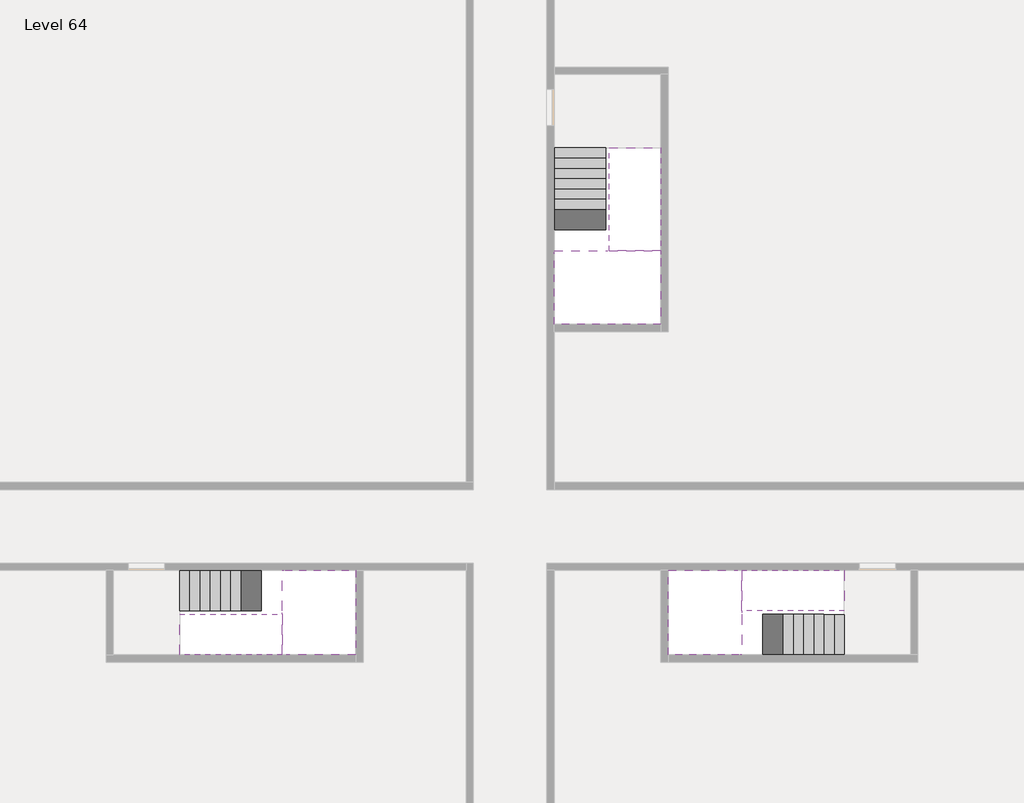
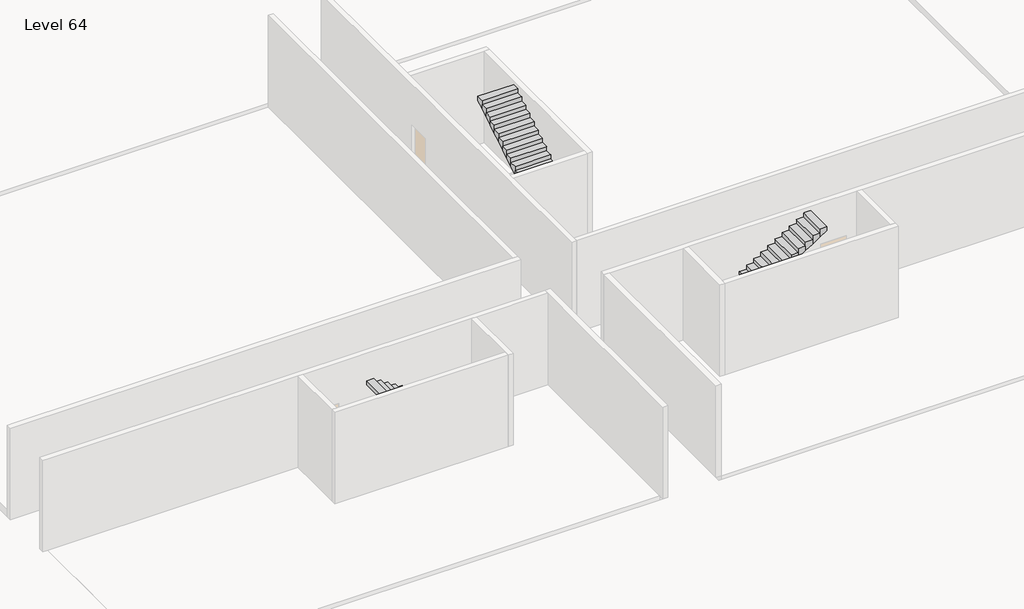
# One storey, part 2 of 2: 6 stair flights, 3 slabs.
"""IFC4 building model written with IfcOpenShell, lengths in millimetres."""

import ifcopenshell
import ifcopenshell.guid

model = None  # the IFC model being written
_history = None  # IfcOwnerHistory: only IFC2X3 demands one
_inside = {}  # id of a spatial element -> (the spatial element, [elements in it])
_under = {}  # id of a project, library or spatial element -> (it, [spatial elements below it])
_declared = {}  # id of a project -> (the project, [libraries it declares])
_typed = {}  # id of a type object -> (the type object, [elements of that type])
_made_of = {}  # id of a material, layer set ... -> (it, [elements and type objects made of it])


def new_model(schema):
    """Start an empty IFC model of exactly this schema.

    Asked for "IFC4X3", IfcOpenShell would pick the latest addendum, in which some entities
    have other attributes; the version numbers below select the first issue.
    IFC2X3 requires an IfcOwnerHistory on every rooted entity: one is made here for all.
    """
    global model, _history
    if schema == "IFC4X3":
        model = ifcopenshell.file(schema_version=(4, 3, 0, 0))
    else:
        model = ifcopenshell.file(schema=schema)
    _inside.clear()
    _under.clear()
    _declared.clear()
    _typed.clear()
    _made_of.clear()
    _history = None
    if model.schema == "IFC2X3":
        org = make("IfcOrganization", Name="unknown")
        user = make(
            "IfcPersonAndOrganization",
            ThePerson=make("IfcPerson", FamilyName="unknown"),
            TheOrganization=org,
        )
        app = make(
            "IfcApplication",
            ApplicationDeveloper=org,
            Version="unknown",
            ApplicationFullName="unknown",
            ApplicationIdentifier="unknown",
        )
        _history = make(
            "IfcOwnerHistory",
            OwningUser=user,
            OwningApplication=app,
            ChangeAction="ADDED",
            CreationDate=0,
        )
    return model


def make(cls, **values):
    """One entity of the class cls with the attributes given. An attribute that is None is left unset."""
    return model.create_entity(
        cls, **{name: value for name, value in values.items() if value is not None}
    )


def rooted(cls, **values):
    """An entity with a GlobalId (a new one), such as an element, a storey or a relation."""
    return make(cls, GlobalId=ifcopenshell.guid.new(), OwnerHistory=_history, **values)


def si_unit(unit_type, name, prefix=None):
    """IfcSIUnit, for example si_unit("LENGTHUNIT", "METRE", prefix="MILLI")."""
    return make("IfcSIUnit", UnitType=unit_type, Prefix=prefix, Name=name)


def assignment(units):
    """IfcUnitAssignment: the units of a project."""
    return None if units is None else make("IfcUnitAssignment", Units=units)


def point(xyz):
    """IfcCartesianPoint."""
    return None if xyz is None else make("IfcCartesianPoint", Coordinates=xyz)


def direction(xyz):
    """IfcDirection."""
    return None if xyz is None else make("IfcDirection", DirectionRatios=xyz)


def frame(location, z_axis=None, x_axis=None):
    """IfcAxis2Placement3D, a coordinate frame: its origin and axes. An axis left out is left unset."""
    return make(
        "IfcAxis2Placement3D",
        Location=point(location),
        Axis=direction(z_axis),
        RefDirection=direction(x_axis),
    )


def origin():
    """The frame at (0, 0, 0) with its axes left unset."""
    return frame((0.0, 0.0, 0.0))


def place(relative_to, where):
    """IfcLocalPlacement: puts the frame where relative to a parent placement (None: the world)."""
    return make(
        "IfcLocalPlacement", PlacementRelTo=relative_to, RelativePlacement=where
    )


def context(
    kind, dimensions, precision=None, world=None, true_north=None, identifier=None
):
    """IfcGeometricRepresentationContext, for example the 3D "Model" context."""
    return make(
        "IfcGeometricRepresentationContext",
        ContextIdentifier=identifier,
        ContextType=kind,
        CoordinateSpaceDimension=dimensions,
        Precision=precision,
        WorldCoordinateSystem=world,
        TrueNorth=true_north,
    )


def project(units=None, contexts=None):
    """IfcProject with its units and contexts."""
    return rooted(
        "IfcProject",
        Name="project",
        RepresentationContexts=contexts,
        UnitsInContext=assignment(units),
    )


def spatial(cls, under=None, at=None, **own):
    """A site, building, storey or space (cls), placed at a placement, below another one or the project."""
    s = rooted(cls, ObjectPlacement=at, **own)
    if under is not None:
        _under.setdefault(under.id(), (under, []))[1].append(s)
    return s


def faces_of(points, faces, orient=None, outer=None):
    """IfcFace entities. A face is a list of loops; a loop is a list of indices into points, from 0.

    orient and outer hold one flag for each loop. By default every Orientation is true, the
    first loop of a face is its IfcFaceOuterBound and the others are IfcFaceBound.
    """
    made = []
    for i, loops in enumerate(faces):
        bounds = []
        for j, loop in enumerate(loops):
            is_outer = j == 0 if outer is None else outer[i][j]
            bounds.append(
                make(
                    "IfcFaceOuterBound" if is_outer else "IfcFaceBound",
                    Bound=make("IfcPolyLoop", Polygon=[points[k] for k in loop]),
                    Orientation=True if orient is None else orient[i][j],
                )
            )
        made.append(make("IfcFace", Bounds=bounds))
    return made


def faceted_brep(points, faces, orient=None, outer=None, voids=None):
    """IfcFacetedBrep: a solid bounded by flat faces; with voids (closed shells), ...WithVoids."""
    shared = [point(p) for p in points]
    hull = make("IfcClosedShell", CfsFaces=faces_of(shared, faces, orient, outer))
    if voids is None:
        return make("IfcFacetedBrep", Outer=hull)
    return make(
        "IfcFacetedBrepWithVoids",
        Outer=hull,
        Voids=[
            make(cls, CfsFaces=faces_of(shared, fs, o, b)) for cls, fs, o, b in voids
        ],
    )


def shape(context_of_items, identifier, shape_type, items):
    """IfcShapeRepresentation: the items that make up one representation, for example the "Body"."""
    return make(
        "IfcShapeRepresentation",
        ContextOfItems=context_of_items,
        RepresentationIdentifier=identifier,
        RepresentationType=shape_type,
        Items=items,
    )


def made_of(thing, what):
    """Note that an element or type object is made of a material, layer set ...; save() writes the relation."""
    if what is not None:
        _made_of.setdefault(what.id(), (what, []))[1].append(thing)
    return thing


def element(
    cls,
    number,
    at=None,
    inside=None,
    cuts=None,
    type_object=None,
    material=None,
    context=None,
    identifier="Body",
    shape_type=None,
    held_by="IfcProductDefinitionShape",
    body=None,
    shapes=None,
    **own,
):
    """One element of the class cls, such as IfcWall. Its Tag is "e" and its number.

    at: its placement. inside: the storey or other place that contains it. cuts: it is an
    opening in that element (IfcRelVoidsElement). A single representation is given by context,
    identifier, shape_type and body (its items); several are given by shapes. held_by: the class
    of the entity that holds the representations. save() writes the other relations.
    """
    e = rooted(cls, Tag="e%d" % number, ObjectPlacement=at, **own)
    if body is not None:
        shapes = [shape(context, identifier, shape_type, body)]
    if shapes is not None:
        e.Representation = make(held_by, Representations=shapes)
    if inside is not None:
        _inside.setdefault(inside.id(), (inside, []))[1].append(e)
    if cuts is not None:
        rooted(
            "IfcRelVoidsElement", RelatingBuildingElement=cuts, RelatedOpeningElement=e
        )
    if type_object is not None:
        _typed.setdefault(type_object.id(), (type_object, []))[1].append(e)
    return made_of(e, material)


def aggregate(whole, parts):
    """IfcRelAggregates: a whole, such as a stair, and the parts it consists of."""
    return rooted("IfcRelAggregates", RelatingObject=whole, RelatedObjects=parts)


def save(model, path):
    """Write the relations noted so far, then the file.

    IfcRelAggregates (storeys below a building ...), IfcRelContainedInSpatialStructure (elements
    in a storey), IfcRelDefinesByType, IfcRelAssociatesMaterial and IfcRelDeclares: one each for
    every whole, place, type object, material and project.
    """
    for whole, parts in _under.values():
        aggregate(whole, parts)
    for where, things in _inside.values():
        rooted(
            "IfcRelContainedInSpatialStructure",
            RelatedElements=things,
            RelatingStructure=where,
        )
    for kind, things in _typed.values():
        rooted("IfcRelDefinesByType", RelatedObjects=things, RelatingType=kind)
    for what, things in _made_of.values():
        rooted("IfcRelAssociatesMaterial", RelatedObjects=things, RelatingMaterial=what)
    for by, libraries in _declared.values():
        rooted("IfcRelDeclares", RelatingContext=by, RelatedDefinitions=libraries)
    model.write(path)


model = new_model("IFC4")

# Units and contexts
model_context = context("Model", 3, world=origin())
ifc_project = project(units=[si_unit("LENGTHUNIT", "METRE", prefix="MILLI")], contexts=[model_context])

# Site, building, storey
site = spatial("IfcSite", under=ifc_project)
building = spatial("IfcBuilding", under=site)
storey = spatial("IfcBuildingStorey", under=building, Name="Level 64", Elevation=239400.0)

# Slabs
placement = place(None, origin())
element("IfcSlab", 1, at=placement, inside=storey, context=model_context, shape_type="Brep", body=[
    faceted_brep([(26790.1058784, -34218.09644, 241300.0), (25390.1058784, -34218.09644, 241300.0), (25390.1058784, -34297.4828763, 241300.0), (25390.1058784, -36218.09644, 241300.0), (28290.1058784, -36218.09644, 241300.0), (28290.1058784, -34418.7100038, 241300.0), (28290.1058784, -34218.09644, 241300.0), (26890.1058784, -34218.09644, 241300.0), (26790.1058784, -34218.09644, 241000.0), (26790.1058784, -34218.09644, 240951.0278478), (25390.1058784, -34218.09644, 240951.0278478), (25390.1058784, -34218.09644, 241127.2727273), (25390.1058784, -34297.4828763, 241000.0), (25390.1058784, -36218.09644, 241000.0), (28290.1058784, -36218.09644, 241000.0), (28290.1058784, -34418.7100038, 241000.0), (28290.1058784, -34218.09644, 241123.7551205), (26890.1058784, -34218.09644, 241123.7551205), (26890.1058784, -34218.09644, 241000.0), (26890.1058784, -34418.7100038, 241000.0), (26790.1058784, -34297.4828763, 241000.0)], [[[0, 1, 2, 3, 4, 5, 6, 7]], [[1, 0, 8, 9, 10, 11]], [[1, 11, 10, 12, 13, 3, 2]], [[4, 3, 13, 14]], [[4, 14, 15, 16, 6, 5]], [[7, 6, 16, 17]], [[0, 7, 17, 18, 8]], [[18, 19, 15, 14, 13, 12, 20, 8]], [[19, 18, 17]], [[20, 12, 10, 9]], [[8, 20, 9]], [[15, 19, 17, 16]]]),
])
element("IfcSlab", 2, at=placement, inside=storey, context=model_context, shape_type="Brep", body=[
    faceted_brep([(30490.1058784, -45218.09644, 241300.0), (30490.1058784, -44118.09644, 241300.0), (30490.1058784, -44018.09644, 241300.0), (30490.1058784, -42918.09644, 241300.0), (30289.4923146, -42918.09644, 241300.0), (28490.1058784, -42918.09644, 241300.0), (28490.1058784, -45218.09644, 241300.0), (30410.7194421, -45218.09644, 241300.0), (30490.1058784, -45218.09644, 241127.2727273), (30490.1058784, -45218.09644, 240951.0278478), (30490.1058784, -44118.09644, 240951.0278478), (30490.1058784, -44118.09644, 241000.0), (30490.1058784, -44018.09644, 241000.0), (30490.1058784, -44018.09644, 241123.7551205), (30490.1058784, -42918.09644, 241123.7551205), (30289.4923146, -42918.09644, 241000.0), (28490.1058784, -42918.09644, 241000.0), (28490.1058784, -45218.09644, 241000.0), (30410.7194421, -45218.09644, 241000.0), (30289.4923146, -44018.09644, 241000.0), (30410.7194421, -44118.09644, 241000.0)], [[[0, 1, 2, 3, 4, 5, 6, 7]], [[1, 0, 8, 9, 10, 11]], [[2, 1, 11, 12, 13]], [[3, 2, 13, 14]], [[3, 14, 15, 16, 5, 4]], [[6, 5, 16, 17]], [[9, 8, 0, 7, 6, 17, 18]], [[19, 12, 11, 20, 18, 17, 16, 15]], [[12, 19, 13]], [[18, 20, 10, 9]], [[20, 11, 10]], [[19, 15, 14, 13]]]),
])
element("IfcSlab", 3, at=placement, inside=storey, context=model_context, shape_type="Brep", body=[
    faceted_brep([(17990.1058784, -42918.09644, 241300.0), (17990.1058784, -44018.09644, 241300.0), (17990.1058784, -44118.09644, 241300.0), (17990.1058784, -45218.09644, 241300.0), (18190.7194421, -45218.09644, 241300.0), (19990.1058784, -45218.09644, 241300.0), (19990.1058784, -42918.09644, 241300.0), (18069.4923146, -42918.09644, 241300.0), (17990.1058784, -42918.09644, 241127.2727273), (17990.1058784, -42918.09644, 240951.0278478), (17990.1058784, -44018.09644, 240951.0278478), (17990.1058784, -44018.09644, 241000.0), (17990.1058784, -44118.09644, 241000.0), (17990.1058784, -44118.09644, 241123.7551205), (17990.1058784, -45218.09644, 241123.7551205), (18190.7194421, -45218.09644, 241000.0), (19990.1058784, -45218.09644, 241000.0), (19990.1058784, -42918.09644, 241000.0), (18069.4923146, -42918.09644, 241000.0), (18190.7194421, -44118.09644, 241000.0), (18069.4923146, -44018.09644, 241000.0)], [[[0, 1, 2, 3, 4, 5, 6, 7]], [[1, 0, 8, 9, 10, 11]], [[2, 1, 11, 12, 13]], [[3, 2, 13, 14]], [[3, 14, 15, 16, 5, 4]], [[6, 5, 16, 17]], [[9, 8, 0, 7, 6, 17, 18]], [[19, 12, 11, 20, 18, 17, 16, 15]], [[12, 19, 13]], [[18, 20, 10, 9]], [[20, 11, 10]], [[19, 15, 14, 13]]]),
])

# Stair flights
element("IfcStairFlight", 4, at=placement, inside=storey, context=model_context, shape_type="Brep", body=[
    faceted_brep([(26790.1058784, -31698.09644, 239572.7272727), (26790.1058784, -31418.09644, 239572.7272727), (25390.1058784, -31418.09644, 239572.7272727), (25390.1058784, -31698.09644, 239572.7272727), (26790.1058784, -31698.09644, 239400.0), (26790.1058784, -31418.09644, 239400.0), (25390.1058784, -31418.09644, 239400.0), (25390.1058784, -31698.09644, 239400.0), (26790.1058784, -31978.09644, 239745.4545455), (26790.1058784, -31698.09644, 239745.4545455), (25390.1058784, -31698.09644, 239745.4545455), (25390.1058784, -31978.09644, 239745.4545455), (26790.1058784, -31978.09644, 239569.209666), (26790.1058784, -31703.7986657, 239400.0), (25390.1058784, -31703.7986657, 239400.0), (25390.1058784, -31978.09644, 239569.209666), (26790.1058784, -32258.09644, 239918.1818182), (26790.1058784, -31978.09644, 239918.1818182), (25390.1058784, -31978.09644, 239918.1818182), (25390.1058784, -32258.09644, 239918.1818182), (26790.1058784, -32258.09644, 239741.9369387), (25390.1058784, -32258.09644, 239741.9369387), (26790.1058784, -32538.09644, 240090.9090909), (26790.1058784, -32258.09644, 240090.9090909), (25390.1058784, -32258.09644, 240090.9090909), (25390.1058784, -32538.09644, 240090.9090909), (26790.1058784, -32538.09644, 239914.6642114), (25390.1058784, -32538.09644, 239914.6642114), (26790.1058784, -32818.09644, 240263.6363636), (26790.1058784, -32538.09644, 240263.6363636), (25390.1058784, -32538.09644, 240263.6363636), (25390.1058784, -32818.09644, 240263.6363636), (26790.1058784, -32818.09644, 240087.3914841), (25390.1058784, -32818.09644, 240087.3914841), (26790.1058784, -33098.09644, 240436.3636364), (26790.1058784, -32818.09644, 240436.3636364), (25390.1058784, -32818.09644, 240436.3636364), (25390.1058784, -33098.09644, 240436.3636364), (26790.1058784, -33098.09644, 240260.1187569), (25390.1058784, -33098.09644, 240260.1187569), (26790.1058784, -33378.09644, 240609.0909091), (26790.1058784, -33098.09644, 240609.0909091), (25390.1058784, -33098.09644, 240609.0909091), (25390.1058784, -33378.09644, 240609.0909091), (26790.1058784, -33378.09644, 240432.8460296), (25390.1058784, -33378.09644, 240432.8460296), (26790.1058784, -33658.09644, 240781.8181818), (26790.1058784, -33378.09644, 240781.8181818), (25390.1058784, -33378.09644, 240781.8181818), (25390.1058784, -33658.09644, 240781.8181818), (26790.1058784, -33658.09644, 240605.5733023), (25390.1058784, -33658.09644, 240605.5733023), (26790.1058784, -33938.09644, 240954.5454545), (26790.1058784, -33658.09644, 240954.5454545), (25390.1058784, -33658.09644, 240954.5454545), (25390.1058784, -33938.09644, 240954.5454545), (26790.1058784, -33938.09644, 240778.3005751), (25390.1058784, -33938.09644, 240778.3005751), (26790.1058784, -34218.09644, 241127.2727273), (26790.1058784, -33938.09644, 241127.2727273), (25390.1058784, -33938.09644, 241127.2727273), (25390.1058784, -34218.09644, 241127.2727273), (26790.1058784, -34218.09644, 241000.0), (26790.1058784, -34218.09644, 240951.0278478), (25390.1058784, -34218.09644, 240951.0278478)], [[[0, 1, 2, 3]], [[1, 0, 4, 5]], [[2, 1, 5, 6]], [[3, 2, 6, 7]], [[8, 9, 10, 11]], [[4, 0, 9, 8, 12, 13]], [[0, 3, 10, 9]], [[3, 7, 14, 15, 11, 10]], [[16, 17, 18, 19]], [[17, 16, 20, 12, 8]], [[8, 11, 18, 17]], [[19, 18, 11, 15, 21]], [[22, 23, 24, 25]], [[23, 22, 26, 20, 16]], [[16, 19, 24, 23]], [[25, 24, 19, 21, 27]], [[28, 29, 30, 31]], [[29, 28, 32, 26, 22]], [[22, 25, 30, 29]], [[31, 30, 25, 27, 33]], [[34, 35, 36, 37]], [[35, 34, 38, 32, 28]], [[28, 31, 36, 35]], [[37, 36, 31, 33, 39]], [[40, 41, 42, 43]], [[41, 40, 44, 38, 34]], [[34, 37, 42, 41]], [[43, 42, 37, 39, 45]], [[46, 47, 48, 49]], [[47, 46, 50, 44, 40]], [[40, 43, 48, 47]], [[49, 48, 43, 45, 51]], [[52, 53, 54, 55]], [[53, 52, 56, 50, 46]], [[46, 49, 54, 53]], [[55, 54, 49, 51, 57]], [[58, 59, 60, 61]], [[59, 58, 62, 63, 56, 52]], [[52, 55, 60, 59]], [[61, 60, 55, 57, 64]], [[58, 61, 64, 63, 62]], [[5, 4, 13, 14, 7, 6]], [[14, 13, 12, 20, 26, 32, 38, 44, 50, 56, 63, 64, 57, 51, 45, 39, 33, 27, 21, 15]]]),
])
element("IfcStairFlight", 5, at=placement, inside=storey, context=model_context, shape_type="Brep", body=[
    faceted_brep([(26890.1058784, -33938.09644, 241472.7272727), (26890.1058784, -34218.09644, 241472.7272727), (28290.1058784, -34218.09644, 241472.7272727), (28290.1058784, -33938.09644, 241472.7272727), (26890.1058784, -33938.09644, 241296.4823932), (26890.1058784, -34218.09644, 241123.7551205), (28290.1058784, -34218.09644, 241123.7551205), (28290.1058784, -34218.09644, 241300.0), (28290.1058784, -33938.09644, 241296.4823932), (26890.1058784, -33658.09644, 241645.4545455), (26890.1058784, -33938.09644, 241645.4545455), (28290.1058784, -33938.09644, 241645.4545455), (28290.1058784, -33658.09644, 241645.4545455), (26890.1058784, -33658.09644, 241469.209666), (28290.1058784, -33658.09644, 241469.209666), (26890.1058784, -33378.09644, 241818.1818182), (26890.1058784, -33658.09644, 241818.1818182), (28290.1058784, -33658.09644, 241818.1818182), (28290.1058784, -33378.09644, 241818.1818182), (26890.1058784, -33378.09644, 241641.9369387), (28290.1058784, -33378.09644, 241641.9369387), (26890.1058784, -33098.09644, 241990.9090909), (26890.1058784, -33378.09644, 241990.9090909), (28290.1058784, -33378.09644, 241990.9090909), (28290.1058784, -33098.09644, 241990.9090909), (26890.1058784, -33098.09644, 241814.6642114), (28290.1058784, -33098.09644, 241814.6642114), (26890.1058784, -32818.09644, 242163.6363636), (26890.1058784, -33098.09644, 242163.6363636), (28290.1058784, -33098.09644, 242163.6363636), (28290.1058784, -32818.09644, 242163.6363636), (26890.1058784, -32818.09644, 241987.3914841), (28290.1058784, -32818.09644, 241987.3914841), (26890.1058784, -32538.09644, 242336.3636364), (26890.1058784, -32818.09644, 242336.3636364), (28290.1058784, -32818.09644, 242336.3636364), (28290.1058784, -32538.09644, 242336.3636364), (26890.1058784, -32538.09644, 242160.1187569), (28290.1058784, -32538.09644, 242160.1187569), (26890.1058784, -32258.09644, 242509.0909091), (26890.1058784, -32538.09644, 242509.0909091), (28290.1058784, -32538.09644, 242509.0909091), (28290.1058784, -32258.09644, 242509.0909091), (26890.1058784, -32258.09644, 242332.8460296), (28290.1058784, -32258.09644, 242332.8460296), (26890.1058784, -31978.09644, 242681.8181818), (26890.1058784, -32258.09644, 242681.8181818), (28290.1058784, -32258.09644, 242681.8181818), (28290.1058784, -31978.09644, 242681.8181818), (26890.1058784, -31978.09644, 242505.5733023), (28290.1058784, -31978.09644, 242505.5733023), (26890.1058784, -31698.09644, 242854.5454545), (26890.1058784, -31978.09644, 242854.5454545), (28290.1058784, -31978.09644, 242854.5454545), (28290.1058784, -31698.09644, 242854.5454545), (26890.1058784, -31698.09644, 242678.3005751), (28290.1058784, -31698.09644, 242678.3005751), (26890.1058784, -31418.09644, 243027.2727273), (26890.1058784, -31698.09644, 243027.2727273), (28290.1058784, -31698.09644, 243027.2727273), (28290.1058784, -31418.09644, 243027.2727273), (26890.1058784, -31418.09644, 242851.0278478), (28290.1058784, -31418.09644, 242851.0278478)], [[[0, 1, 2, 3]], [[1, 0, 4, 5]], [[2, 1, 5, 6, 7]], [[3, 2, 7, 6, 8]], [[9, 10, 11, 12]], [[10, 9, 13, 4, 0]], [[11, 10, 0, 3]], [[12, 11, 3, 8, 14]], [[15, 16, 17, 18]], [[16, 15, 19, 13, 9]], [[17, 16, 9, 12]], [[18, 17, 12, 14, 20]], [[21, 22, 23, 24]], [[22, 21, 25, 19, 15]], [[23, 22, 15, 18]], [[24, 23, 18, 20, 26]], [[27, 28, 29, 30]], [[28, 27, 31, 25, 21]], [[29, 28, 21, 24]], [[30, 29, 24, 26, 32]], [[33, 34, 35, 36]], [[34, 33, 37, 31, 27]], [[35, 34, 27, 30]], [[36, 35, 30, 32, 38]], [[39, 40, 41, 42]], [[40, 39, 43, 37, 33]], [[41, 40, 33, 36]], [[42, 41, 36, 38, 44]], [[45, 46, 47, 48]], [[46, 45, 49, 43, 39]], [[47, 46, 39, 42]], [[48, 47, 42, 44, 50]], [[51, 52, 53, 54]], [[52, 51, 55, 49, 45]], [[53, 52, 45, 48]], [[54, 53, 48, 50, 56]], [[57, 58, 59, 60]], [[58, 57, 61, 55, 51]], [[59, 58, 51, 54]], [[60, 59, 54, 56, 62]], [[57, 60, 62, 61]], [[5, 4, 13, 19, 25, 31, 37, 43, 49, 55, 61, 62, 56, 50, 44, 38, 32, 26, 20, 14, 8, 6]]]),
])
element("IfcStairFlight", 6, at=placement, inside=storey, context=model_context, shape_type="Brep", body=[
    faceted_brep([(33010.1058784, -45218.09644, 239572.7272727), (33290.1058784, -45218.09644, 239572.7272727), (33290.1058784, -44118.09644, 239572.7272727), (33010.1058784, -44118.09644, 239572.7272727), (33010.1058784, -45218.09644, 239400.0), (33290.1058784, -45218.09644, 239400.0), (33290.1058784, -44118.09644, 239400.0), (33010.1058784, -44118.09644, 239400.0), (32730.1058784, -45218.09644, 239745.4545455), (33010.1058784, -45218.09644, 239745.4545455), (33010.1058784, -44118.09644, 239745.4545455), (32730.1058784, -44118.09644, 239745.4545455), (32730.1058784, -45218.09644, 239569.209666), (33004.4036527, -45218.09644, 239400.0), (33004.4036527, -44118.09644, 239400.0), (32730.1058784, -44118.09644, 239569.209666), (32450.1058784, -45218.09644, 239918.1818182), (32730.1058784, -45218.09644, 239918.1818182), (32730.1058784, -44118.09644, 239918.1818182), (32450.1058784, -44118.09644, 239918.1818182), (32450.1058784, -45218.09644, 239741.9369387), (32450.1058784, -44118.09644, 239741.9369387), (32170.1058784, -45218.09644, 240090.9090909), (32450.1058784, -45218.09644, 240090.9090909), (32450.1058784, -44118.09644, 240090.9090909), (32170.1058784, -44118.09644, 240090.9090909), (32170.1058784, -45218.09644, 239914.6642114), (32170.1058784, -44118.09644, 239914.6642114), (31890.1058784, -45218.09644, 240263.6363636), (32170.1058784, -45218.09644, 240263.6363636), (32170.1058784, -44118.09644, 240263.6363636), (31890.1058784, -44118.09644, 240263.6363636), (31890.1058784, -45218.09644, 240087.3914841), (31890.1058784, -44118.09644, 240087.3914841), (31610.1058784, -45218.09644, 240436.3636364), (31890.1058784, -45218.09644, 240436.3636364), (31890.1058784, -44118.09644, 240436.3636364), (31610.1058784, -44118.09644, 240436.3636364), (31610.1058784, -45218.09644, 240260.1187569), (31610.1058784, -44118.09644, 240260.1187569), (31330.1058784, -45218.09644, 240609.0909091), (31610.1058784, -45218.09644, 240609.0909091), (31610.1058784, -44118.09644, 240609.0909091), (31330.1058784, -44118.09644, 240609.0909091), (31330.1058784, -45218.09644, 240432.8460296), (31330.1058784, -44118.09644, 240432.8460296), (31050.1058784, -45218.09644, 240781.8181818), (31330.1058784, -45218.09644, 240781.8181818), (31330.1058784, -44118.09644, 240781.8181818), (31050.1058784, -44118.09644, 240781.8181818), (31050.1058784, -45218.09644, 240605.5733023), (31050.1058784, -44118.09644, 240605.5733023), (30770.1058784, -45218.09644, 240954.5454545), (31050.1058784, -45218.09644, 240954.5454545), (31050.1058784, -44118.09644, 240954.5454545), (30770.1058784, -44118.09644, 240954.5454545), (30770.1058784, -45218.09644, 240778.3005751), (30770.1058784, -44118.09644, 240778.3005751), (30490.1058784, -45218.09644, 241127.2727273), (30770.1058784, -45218.09644, 241127.2727273), (30770.1058784, -44118.09644, 241127.2727273), (30490.1058784, -44118.09644, 241127.2727273), (30490.1058784, -45218.09644, 240951.0278478), (30490.1058784, -44118.09644, 240951.0278478), (30490.1058784, -44118.09644, 241000.0)], [[[0, 1, 2, 3]], [[1, 0, 4, 5]], [[2, 1, 5, 6]], [[3, 2, 6, 7]], [[8, 9, 10, 11]], [[4, 0, 9, 8, 12, 13]], [[0, 3, 10, 9]], [[3, 7, 14, 15, 11, 10]], [[16, 17, 18, 19]], [[17, 16, 20, 12, 8]], [[8, 11, 18, 17]], [[19, 18, 11, 15, 21]], [[22, 23, 24, 25]], [[23, 22, 26, 20, 16]], [[16, 19, 24, 23]], [[25, 24, 19, 21, 27]], [[28, 29, 30, 31]], [[29, 28, 32, 26, 22]], [[22, 25, 30, 29]], [[31, 30, 25, 27, 33]], [[34, 35, 36, 37]], [[35, 34, 38, 32, 28]], [[28, 31, 36, 35]], [[37, 36, 31, 33, 39]], [[40, 41, 42, 43]], [[41, 40, 44, 38, 34]], [[34, 37, 42, 41]], [[43, 42, 37, 39, 45]], [[46, 47, 48, 49]], [[47, 46, 50, 44, 40]], [[40, 43, 48, 47]], [[49, 48, 43, 45, 51]], [[52, 53, 54, 55]], [[53, 52, 56, 50, 46]], [[46, 49, 54, 53]], [[55, 54, 49, 51, 57]], [[58, 59, 60, 61]], [[59, 58, 62, 56, 52]], [[52, 55, 60, 59]], [[61, 60, 55, 57, 63, 64]], [[58, 61, 64, 63, 62]], [[5, 4, 13, 14, 7, 6]], [[14, 13, 12, 20, 26, 32, 38, 44, 50, 56, 62, 63, 57, 51, 45, 39, 33, 27, 21, 15]]]),
])
element("IfcStairFlight", 7, at=placement, inside=storey, context=model_context, shape_type="Brep", body=[
    faceted_brep([(30770.1058784, -42918.09644, 241472.7272727), (30490.1058784, -42918.09644, 241472.7272727), (30490.1058784, -44018.09644, 241472.7272727), (30770.1058784, -44018.09644, 241472.7272727), (30770.1058784, -42918.09644, 241296.4823932), (30490.1058784, -42918.09644, 241123.7551205), (30490.1058784, -42918.09644, 241300.0), (30490.1058784, -44018.09644, 241123.7551205), (30770.1058784, -44018.09644, 241296.4823932), (31050.1058784, -42918.09644, 241645.4545455), (30770.1058784, -42918.09644, 241645.4545455), (30770.1058784, -44018.09644, 241645.4545455), (31050.1058784, -44018.09644, 241645.4545455), (31050.1058784, -42918.09644, 241469.209666), (31050.1058784, -44018.09644, 241469.209666), (31330.1058784, -42918.09644, 241818.1818182), (31050.1058784, -42918.09644, 241818.1818182), (31050.1058784, -44018.09644, 241818.1818182), (31330.1058784, -44018.09644, 241818.1818182), (31330.1058784, -42918.09644, 241641.9369387), (31330.1058784, -44018.09644, 241641.9369387), (31610.1058784, -42918.09644, 241990.9090909), (31330.1058784, -42918.09644, 241990.9090909), (31330.1058784, -44018.09644, 241990.9090909), (31610.1058784, -44018.09644, 241990.9090909), (31610.1058784, -42918.09644, 241814.6642114), (31610.1058784, -44018.09644, 241814.6642114), (31890.1058784, -42918.09644, 242163.6363636), (31610.1058784, -42918.09644, 242163.6363636), (31610.1058784, -44018.09644, 242163.6363636), (31890.1058784, -44018.09644, 242163.6363636), (31890.1058784, -42918.09644, 241987.3914841), (31890.1058784, -44018.09644, 241987.3914841), (32170.1058784, -42918.09644, 242336.3636364), (31890.1058784, -42918.09644, 242336.3636364), (31890.1058784, -44018.09644, 242336.3636364), (32170.1058784, -44018.09644, 242336.3636364), (32170.1058784, -42918.09644, 242160.1187569), (32170.1058784, -44018.09644, 242160.1187569), (32450.1058784, -42918.09644, 242509.0909091), (32170.1058784, -42918.09644, 242509.0909091), (32170.1058784, -44018.09644, 242509.0909091), (32450.1058784, -44018.09644, 242509.0909091), (32450.1058784, -42918.09644, 242332.8460296), (32450.1058784, -44018.09644, 242332.8460296), (32730.1058784, -42918.09644, 242681.8181818), (32450.1058784, -42918.09644, 242681.8181818), (32450.1058784, -44018.09644, 242681.8181818), (32730.1058784, -44018.09644, 242681.8181818), (32730.1058784, -42918.09644, 242505.5733023), (32730.1058784, -44018.09644, 242505.5733023), (33010.1058784, -42918.09644, 242854.5454545), (32730.1058784, -42918.09644, 242854.5454545), (32730.1058784, -44018.09644, 242854.5454545), (33010.1058784, -44018.09644, 242854.5454545), (33010.1058784, -42918.09644, 242678.3005751), (33010.1058784, -44018.09644, 242678.3005751), (33290.1058784, -42918.09644, 243027.2727273), (33010.1058784, -42918.09644, 243027.2727273), (33010.1058784, -44018.09644, 243027.2727273), (33290.1058784, -44018.09644, 243027.2727273), (33290.1058784, -42918.09644, 242851.0278478), (33290.1058784, -44018.09644, 242851.0278478)], [[[0, 1, 2, 3]], [[1, 0, 4, 5, 6]], [[2, 1, 6, 5, 7]], [[3, 2, 7, 8]], [[9, 10, 11, 12]], [[10, 9, 13, 4, 0]], [[11, 10, 0, 3]], [[12, 11, 3, 8, 14]], [[15, 16, 17, 18]], [[16, 15, 19, 13, 9]], [[17, 16, 9, 12]], [[18, 17, 12, 14, 20]], [[21, 22, 23, 24]], [[22, 21, 25, 19, 15]], [[23, 22, 15, 18]], [[24, 23, 18, 20, 26]], [[27, 28, 29, 30]], [[28, 27, 31, 25, 21]], [[29, 28, 21, 24]], [[30, 29, 24, 26, 32]], [[33, 34, 35, 36]], [[34, 33, 37, 31, 27]], [[35, 34, 27, 30]], [[36, 35, 30, 32, 38]], [[39, 40, 41, 42]], [[40, 39, 43, 37, 33]], [[41, 40, 33, 36]], [[42, 41, 36, 38, 44]], [[45, 46, 47, 48]], [[46, 45, 49, 43, 39]], [[47, 46, 39, 42]], [[48, 47, 42, 44, 50]], [[51, 52, 53, 54]], [[52, 51, 55, 49, 45]], [[53, 52, 45, 48]], [[54, 53, 48, 50, 56]], [[57, 58, 59, 60]], [[58, 57, 61, 55, 51]], [[59, 58, 51, 54]], [[60, 59, 54, 56, 62]], [[57, 60, 62, 61]], [[5, 4, 13, 19, 25, 31, 37, 43, 49, 55, 61, 62, 56, 50, 44, 38, 32, 26, 20, 14, 8, 7]]]),
])
element("IfcStairFlight", 8, at=placement, inside=storey, context=model_context, shape_type="Brep", body=[
    faceted_brep([(15470.1058784, -42918.09644, 239572.7272727), (15190.1058784, -42918.09644, 239572.7272727), (15190.1058784, -44018.09644, 239572.7272727), (15470.1058784, -44018.09644, 239572.7272727), (15470.1058784, -42918.09644, 239400.0), (15190.1058784, -42918.09644, 239400.0), (15190.1058784, -44018.09644, 239400.0), (15470.1058784, -44018.09644, 239400.0), (15750.1058784, -42918.09644, 239745.4545455), (15470.1058784, -42918.09644, 239745.4545455), (15470.1058784, -44018.09644, 239745.4545455), (15750.1058784, -44018.09644, 239745.4545455), (15750.1058784, -42918.09644, 239569.209666), (15475.8081041, -42918.09644, 239400.0), (15475.8081041, -44018.09644, 239400.0), (15750.1058784, -44018.09644, 239569.209666), (16030.1058784, -42918.09644, 239918.1818182), (15750.1058784, -42918.09644, 239918.1818182), (15750.1058784, -44018.09644, 239918.1818182), (16030.1058784, -44018.09644, 239918.1818182), (16030.1058784, -42918.09644, 239741.9369387), (16030.1058784, -44018.09644, 239741.9369387), (16310.1058784, -42918.09644, 240090.9090909), (16030.1058784, -42918.09644, 240090.9090909), (16030.1058784, -44018.09644, 240090.9090909), (16310.1058784, -44018.09644, 240090.9090909), (16310.1058784, -42918.09644, 239914.6642114), (16310.1058784, -44018.09644, 239914.6642114), (16590.1058784, -42918.09644, 240263.6363636), (16310.1058784, -42918.09644, 240263.6363636), (16310.1058784, -44018.09644, 240263.6363636), (16590.1058784, -44018.09644, 240263.6363636), (16590.1058784, -42918.09644, 240087.3914841), (16590.1058784, -44018.09644, 240087.3914841), (16870.1058784, -42918.09644, 240436.3636364), (16590.1058784, -42918.09644, 240436.3636364), (16590.1058784, -44018.09644, 240436.3636364), (16870.1058784, -44018.09644, 240436.3636364), (16870.1058784, -42918.09644, 240260.1187569), (16870.1058784, -44018.09644, 240260.1187569), (17150.1058784, -42918.09644, 240609.0909091), (16870.1058784, -42918.09644, 240609.0909091), (16870.1058784, -44018.09644, 240609.0909091), (17150.1058784, -44018.09644, 240609.0909091), (17150.1058784, -42918.09644, 240432.8460296), (17150.1058784, -44018.09644, 240432.8460296), (17430.1058784, -42918.09644, 240781.8181818), (17150.1058784, -42918.09644, 240781.8181818), (17150.1058784, -44018.09644, 240781.8181818), (17430.1058784, -44018.09644, 240781.8181818), (17430.1058784, -42918.09644, 240605.5733023), (17430.1058784, -44018.09644, 240605.5733023), (17710.1058784, -42918.09644, 240954.5454545), (17430.1058784, -42918.09644, 240954.5454545), (17430.1058784, -44018.09644, 240954.5454545), (17710.1058784, -44018.09644, 240954.5454545), (17710.1058784, -42918.09644, 240778.3005751), (17710.1058784, -44018.09644, 240778.3005751), (17990.1058784, -42918.09644, 241127.2727273), (17710.1058784, -42918.09644, 241127.2727273), (17710.1058784, -44018.09644, 241127.2727273), (17990.1058784, -44018.09644, 241127.2727273), (17990.1058784, -42918.09644, 240951.0278478), (17990.1058784, -44018.09644, 240951.0278478), (17990.1058784, -44018.09644, 241000.0)], [[[0, 1, 2, 3]], [[1, 0, 4, 5]], [[2, 1, 5, 6]], [[3, 2, 6, 7]], [[8, 9, 10, 11]], [[4, 0, 9, 8, 12, 13]], [[0, 3, 10, 9]], [[3, 7, 14, 15, 11, 10]], [[16, 17, 18, 19]], [[17, 16, 20, 12, 8]], [[8, 11, 18, 17]], [[19, 18, 11, 15, 21]], [[22, 23, 24, 25]], [[23, 22, 26, 20, 16]], [[16, 19, 24, 23]], [[25, 24, 19, 21, 27]], [[28, 29, 30, 31]], [[29, 28, 32, 26, 22]], [[22, 25, 30, 29]], [[31, 30, 25, 27, 33]], [[34, 35, 36, 37]], [[35, 34, 38, 32, 28]], [[28, 31, 36, 35]], [[37, 36, 31, 33, 39]], [[40, 41, 42, 43]], [[41, 40, 44, 38, 34]], [[34, 37, 42, 41]], [[43, 42, 37, 39, 45]], [[46, 47, 48, 49]], [[47, 46, 50, 44, 40]], [[40, 43, 48, 47]], [[49, 48, 43, 45, 51]], [[52, 53, 54, 55]], [[53, 52, 56, 50, 46]], [[46, 49, 54, 53]], [[55, 54, 49, 51, 57]], [[58, 59, 60, 61]], [[59, 58, 62, 56, 52]], [[52, 55, 60, 59]], [[61, 60, 55, 57, 63, 64]], [[58, 61, 64, 63, 62]], [[5, 4, 13, 14, 7, 6]], [[14, 13, 12, 20, 26, 32, 38, 44, 50, 56, 62, 63, 57, 51, 45, 39, 33, 27, 21, 15]]]),
])
element("IfcStairFlight", 9, at=placement, inside=storey, context=model_context, shape_type="Brep", body=[
    faceted_brep([(17710.1058784, -45218.09644, 241472.7272727), (17990.1058784, -45218.09644, 241472.7272727), (17990.1058784, -44118.09644, 241472.7272727), (17710.1058784, -44118.09644, 241472.7272727), (17710.1058784, -45218.09644, 241296.4823932), (17990.1058784, -45218.09644, 241123.7551205), (17990.1058784, -45218.09644, 241300.0), (17990.1058784, -44118.09644, 241123.7551205), (17710.1058784, -44118.09644, 241296.4823932), (17430.1058784, -45218.09644, 241645.4545455), (17710.1058784, -45218.09644, 241645.4545455), (17710.1058784, -44118.09644, 241645.4545455), (17430.1058784, -44118.09644, 241645.4545455), (17430.1058784, -45218.09644, 241469.209666), (17430.1058784, -44118.09644, 241469.209666), (17150.1058784, -45218.09644, 241818.1818182), (17430.1058784, -45218.09644, 241818.1818182), (17430.1058784, -44118.09644, 241818.1818182), (17150.1058784, -44118.09644, 241818.1818182), (17150.1058784, -45218.09644, 241641.9369387), (17150.1058784, -44118.09644, 241641.9369387), (16870.1058784, -45218.09644, 241990.9090909), (17150.1058784, -45218.09644, 241990.9090909), (17150.1058784, -44118.09644, 241990.9090909), (16870.1058784, -44118.09644, 241990.9090909), (16870.1058784, -45218.09644, 241814.6642114), (16870.1058784, -44118.09644, 241814.6642114), (16590.1058784, -45218.09644, 242163.6363636), (16870.1058784, -45218.09644, 242163.6363636), (16870.1058784, -44118.09644, 242163.6363636), (16590.1058784, -44118.09644, 242163.6363636), (16590.1058784, -45218.09644, 241987.3914841), (16590.1058784, -44118.09644, 241987.3914841), (16310.1058784, -45218.09644, 242336.3636364), (16590.1058784, -45218.09644, 242336.3636364), (16590.1058784, -44118.09644, 242336.3636364), (16310.1058784, -44118.09644, 242336.3636364), (16310.1058784, -45218.09644, 242160.1187569), (16310.1058784, -44118.09644, 242160.1187569), (16030.1058784, -45218.09644, 242509.0909091), (16310.1058784, -45218.09644, 242509.0909091), (16310.1058784, -44118.09644, 242509.0909091), (16030.1058784, -44118.09644, 242509.0909091), (16030.1058784, -45218.09644, 242332.8460296), (16030.1058784, -44118.09644, 242332.8460296), (15750.1058784, -45218.09644, 242681.8181818), (16030.1058784, -45218.09644, 242681.8181818), (16030.1058784, -44118.09644, 242681.8181818), (15750.1058784, -44118.09644, 242681.8181818), (15750.1058784, -45218.09644, 242505.5733023), (15750.1058784, -44118.09644, 242505.5733023), (15470.1058784, -45218.09644, 242854.5454545), (15750.1058784, -45218.09644, 242854.5454545), (15750.1058784, -44118.09644, 242854.5454545), (15470.1058784, -44118.09644, 242854.5454545), (15470.1058784, -45218.09644, 242678.3005751), (15470.1058784, -44118.09644, 242678.3005751), (15190.1058784, -45218.09644, 243027.2727273), (15470.1058784, -45218.09644, 243027.2727273), (15470.1058784, -44118.09644, 243027.2727273), (15190.1058784, -44118.09644, 243027.2727273), (15190.1058784, -45218.09644, 242851.0278478), (15190.1058784, -44118.09644, 242851.0278478)], [[[0, 1, 2, 3]], [[1, 0, 4, 5, 6]], [[2, 1, 6, 5, 7]], [[3, 2, 7, 8]], [[9, 10, 11, 12]], [[10, 9, 13, 4, 0]], [[11, 10, 0, 3]], [[12, 11, 3, 8, 14]], [[15, 16, 17, 18]], [[16, 15, 19, 13, 9]], [[17, 16, 9, 12]], [[18, 17, 12, 14, 20]], [[21, 22, 23, 24]], [[22, 21, 25, 19, 15]], [[23, 22, 15, 18]], [[24, 23, 18, 20, 26]], [[27, 28, 29, 30]], [[28, 27, 31, 25, 21]], [[29, 28, 21, 24]], [[30, 29, 24, 26, 32]], [[33, 34, 35, 36]], [[34, 33, 37, 31, 27]], [[35, 34, 27, 30]], [[36, 35, 30, 32, 38]], [[39, 40, 41, 42]], [[40, 39, 43, 37, 33]], [[41, 40, 33, 36]], [[42, 41, 36, 38, 44]], [[45, 46, 47, 48]], [[46, 45, 49, 43, 39]], [[47, 46, 39, 42]], [[48, 47, 42, 44, 50]], [[51, 52, 53, 54]], [[52, 51, 55, 49, 45]], [[53, 52, 45, 48]], [[54, 53, 48, 50, 56]], [[57, 58, 59, 60]], [[58, 57, 61, 55, 51]], [[59, 58, 51, 54]], [[60, 59, 54, 56, 62]], [[57, 60, 62, 61]], [[5, 4, 13, 19, 25, 31, 37, 43, 49, 55, 61, 62, 56, 50, 44, 38, 32, 26, 20, 14, 8, 7]]]),
])

save(model, "model.ifc")
